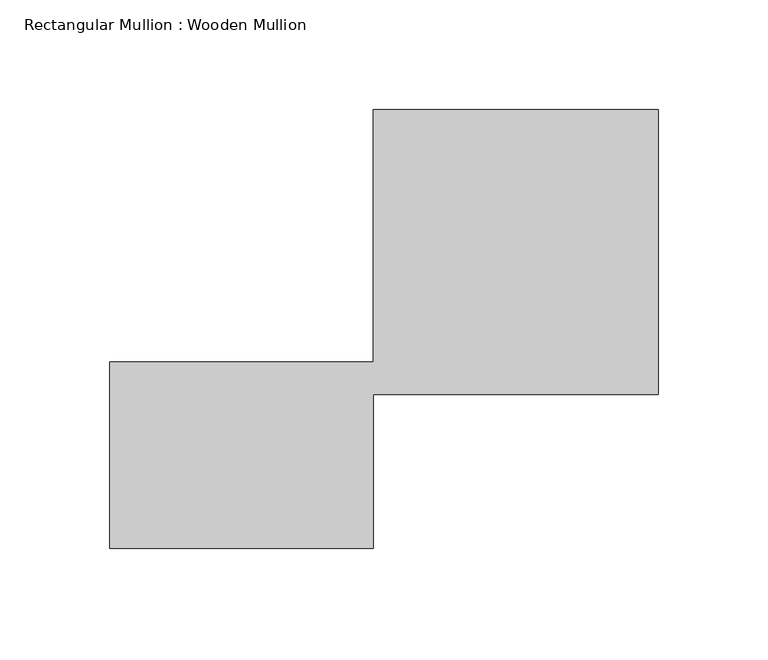
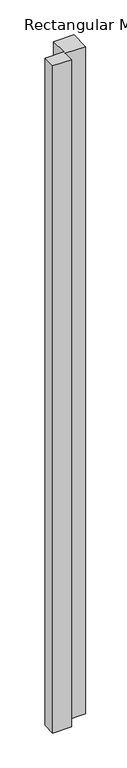
"""IFC4 building model written with IfcOpenShell, lengths in millimetres: member geometry, Rectangular Mullion : Wooden Mullion."""

from ifc_helpers import new_model, si_unit, frame, origin, place, context, project, spatial, polyline, outline, extrude, source, transform, mapped, element, save


def rectangular_mullion_wooden_mullion_8359ce6d(model_context):
    return source(origin(), model_context, "Body", "SweptSolid", [
        extrude(outline(polyline([(74.8100006, -26.0137344), (-45.1899994, -26.0137344), (-45.1899994, 58.9862656), (74.8100006, 58.9862656), (74.8100006, 173.9862656), (204.8100006, 173.9862656), (204.8100006, 43.9862656), (74.8100006, 43.9862656), (74.8100006, -26.0137344)])), frame((0.0, 0.0, -4504.8650182), z_axis=(0.0, 0.0, 1.0), x_axis=(1.0, 0.0, 0.0)), (0.0, 0.0, 1.0), 4504.8650182),
    ])


if __name__ == "__main__":
    model = new_model("IFC4")
    model_context = context("Model", 3, world=origin())
    ifc_project = project(units=[si_unit("LENGTHUNIT", "METRE", prefix="MILLI")], contexts=[model_context])
    site = spatial("IfcSite", under=ifc_project)
    building = spatial("IfcBuilding", under=site)
    placement = place(None, origin())
    rectangular_mullion_wooden_mullion_shape = rectangular_mullion_wooden_mullion_8359ce6d(model_context)
    element("IfcMember", 1, ObjectType="Rectangular Mullion : Wooden Mullion", at=placement, inside=building, context=model_context, shape_type="MappedRepresentation", body=[
        mapped(rectangular_mullion_wooden_mullion_shape, transform((0.0, 0.0, 0.0), x_axis=(1.0, 0.0, 0.0), y_axis=(0.0, 1.0, 0.0), z_axis=(0.0, 0.0, 1.0))),
    ])
    save(model, "model.ifc")
